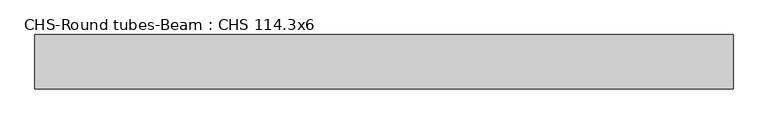
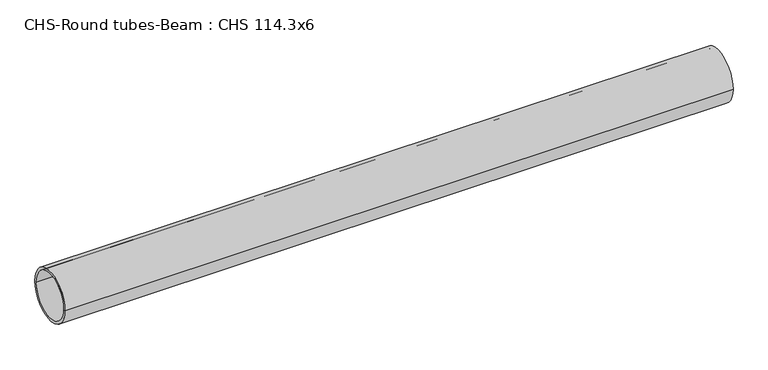
"""IFC4 building model written with IfcOpenShell, lengths in millimetres: beam geometry, CHS-Round tubes-Beam : CHS 114.3x6."""

from ifc_helpers import new_model, si_unit, point, frame, origin, origin_2d, place, context, project, spatial, circle_curve, trimmed, segment, composite_curve, outline, extrude, source, transform, mapped, element, save


def chs_round_tubes_beam_chs_114_3x6_6958b805(model_context):
    return source(origin(), model_context, "Body", "SweptSolid", [
        extrude(outline(composite_curve([segment(trimmed(circle_curve(origin_2d(), 57.15), [point((57.15, 0.0))], [point((-57.15, 0.0))], False, "CARTESIAN"), True, "CONTINUOUS"), segment(trimmed(circle_curve(origin_2d(), 57.15), [point((-57.15, 0.0))], [point((57.15, 0.0))], False, "CARTESIAN"), True, "CONTINUOUS")], self_intersect=False), holes=[composite_curve([segment(trimmed(circle_curve(origin_2d(), 51.15), [point((51.15, 0.0))], [point((-51.15, 0.0))], True, "CARTESIAN"), True, "CONTINUOUS"), segment(trimmed(circle_curve(origin_2d(), 51.15), [point((-51.15, 0.0))], [point((51.15, 0.0))], True, "CARTESIAN"), True, "CONTINUOUS")], self_intersect=False)]), frame((-736.1996455, 0.0, 0.0), z_axis=(1.0, 0.0, 0.0), x_axis=(0.0, 1.0, 0.0)), (0.0, 0.0, 1.0), 1471.2657007),
    ])


if __name__ == "__main__":
    model = new_model("IFC4")
    model_context = context("Model", 3, world=origin())
    ifc_project = project(units=[si_unit("LENGTHUNIT", "METRE", prefix="MILLI")], contexts=[model_context])
    site = spatial("IfcSite", under=ifc_project)
    building = spatial("IfcBuilding", under=site)
    placement = place(None, origin())
    chs_round_tubes_beam_chs_114_3x6_shape = chs_round_tubes_beam_chs_114_3x6_6958b805(model_context)
    element("IfcBeam", 1, ObjectType="CHS-Round tubes-Beam : CHS 114.3x6", at=placement, inside=building, context=model_context, shape_type="MappedRepresentation", body=[
        mapped(chs_round_tubes_beam_chs_114_3x6_shape, transform((0.0, 0.0, 0.0), x_axis=(1.0, 0.0, 0.0), y_axis=(0.0, 1.0, 0.0), z_axis=(0.0, 0.0, 1.0))),
    ])
    save(model, "model.ifc")
